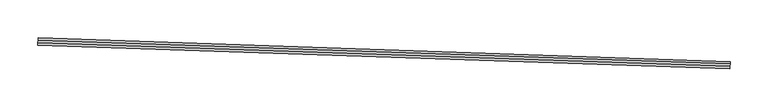
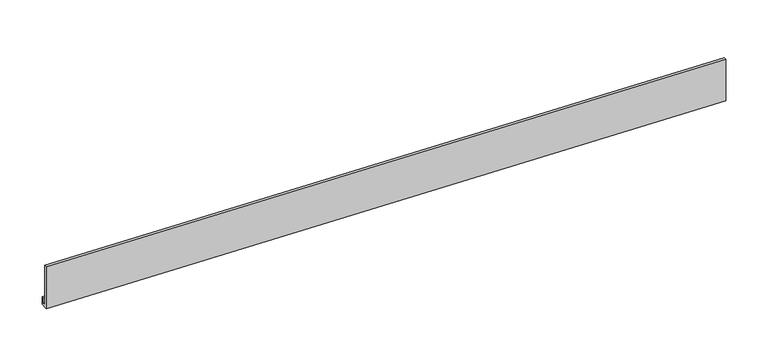
"""IFC4 building model written with IfcOpenShell, lengths in millimetres: proxy geometry."""

from ifc_helpers import new_model, si_unit, frame, origin, place, context, project, spatial, polyline, outline, extrude, source, transform, mapped, element, save


def generic_models_5a40096a(model_context):
    return source(origin(), model_context, "Body", "SweptSolid", [
        extrude(outline(polyline([(-3.4473582, 0.0), (0.0, 0.0), (0.0, 57.1500001), (3.2244663, 57.1500001), (3.2244663, -3.3130867), (-6.3414504, -3.3130867), (-6.3414504, 7.7202248), (-3.4473582, 7.7202248), (-3.4473582, 0.0)])), frame((34376.8251608, -14820.321764, 3048.6986467), z_axis=(-0.9994149475907833, 0.034201791358230815, 0.0), x_axis=(-0.034201791358230815, -0.9994149475907833, 0.0)), (0.0, 0.0, 1.0), 914.4),
    ])


if __name__ == "__main__":
    model = new_model("IFC4")
    model_context = context("Model", 3, world=origin())
    ifc_project = project(units=[si_unit("LENGTHUNIT", "METRE", prefix="MILLI")], contexts=[model_context])
    site = spatial("IfcSite", under=ifc_project)
    building = spatial("IfcBuilding", under=site)
    placement = place(None, origin())
    generic_models_shape = generic_models_5a40096a(model_context)
    element("IfcBuildingElementProxy", 1, Name="Generic Models", at=placement, inside=building, context=model_context, shape_type="MappedRepresentation", body=[
        mapped(generic_models_shape, transform((0.0, 0.0, 0.0), x_axis=(1.0, 0.0, 0.0), y_axis=(0.0, 1.0, 0.0), z_axis=(0.0, 0.0, 1.0))),
    ])
    save(model, "model.ifc")
